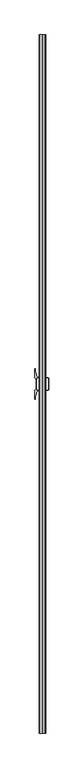
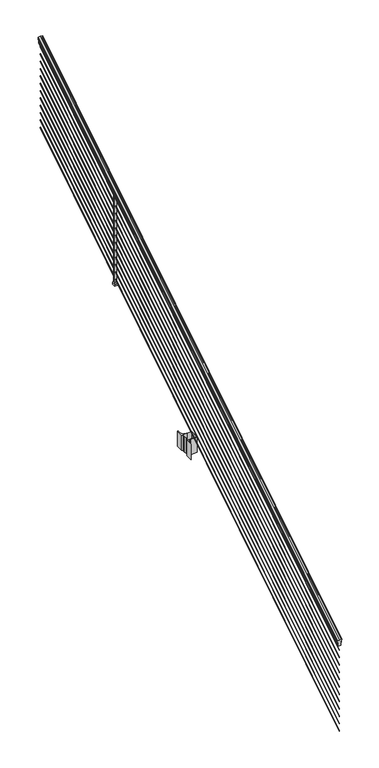
"""IFC4 building model written with IfcOpenShell, lengths in millimetres: railing geometry."""

from ifc_helpers import new_model, si_unit, point, frame, frame_2d, origin, place, context, project, spatial, polyline, circle_curve, ellipse_curve, trimmed, segment, composite_curve, outline, extrude, faceted_brep, source, transform, mapped, element, save
from ifc_brep_helpers import plane_surface, cylinder_surface, revolved_surface, advanced_brep


def railing_3b98b491(model_context):
    return source(origin(), model_context, "Body", "SolidModel", [
        advanced_brep(
        [(9720.6704765, -103155.6628453, 1133.2070492), (9720.6704765, -103155.6628453, 1135.4335658), (9721.8006628, -103155.6628453, 1137.2758543), (9721.8006628, -103155.6628453, 1145.7876358), (9721.1514064, -103155.6628453, 1148.6572588), (9723.6514064, -103155.6628453, 1153.7635509), (9725.0607489, -103155.6628453, 1155.7442021), (9725.4626479, -103155.6628453, 1157.0469579), (9725.4626478, -103155.6628453, 1158.6274846), (9723.9092005, -103155.6628453, 1160.4593836), (9703.2376478, -103155.6628453, 1160.4593836), (9682.566095, -103155.6628453, 1160.4593836), (9681.0126478, -103155.6628453, 1158.6274846), (9681.0126478, -103155.6628453, 1157.0469579), (9681.4145467, -103155.6628453, 1155.7442021), (9682.8238891, -103155.6628453, 1153.7635509), (9685.3238891, -103155.6628453, 1148.6572588), (9684.6746327, -103155.6628453, 1145.7876358), (9684.6746327, -103155.6628453, 1137.2758543), (9685.804819, -103155.6628453, 1135.4335658), (9685.804819, -103155.6628453, 1133.2070492), (9688.3786478, -103155.6628453, 1133.2070492), (9688.3786478, -103155.6628453, 1120.825537), (9687.3626478, -103155.6628453, 1119.6274214), (9687.3626478, -103155.6628453, 1104.9), (9719.1126478, -103155.6628453, 1104.9), (9719.1126478, -103155.6628453, 1119.441318), (9718.0966478, -103155.6628453, 1120.6394336), (9718.0966478, -103155.6628453, 1133.2070492), (9720.6704765, -98278.8628453, 4181.2070492), (9718.0966478, -98278.8628453, 4181.2070492), (9718.0966478, -98278.8628453, 4168.6394336), (9719.1126478, -98278.8628453, 4167.441318), (9719.1126478, -98278.8628453, 4152.9), (9687.3626478, -98278.8628453, 4152.9), (9687.3626478, -98278.8628453, 4167.6274214), (9688.3786478, -98278.8628453, 4168.825537), (9688.3786478, -98278.8628453, 4181.2070492), (9685.804819, -98278.8628453, 4181.2070492), (9685.804819, -98278.8628453, 4183.4335658), (9684.6746327, -98278.8628453, 4185.2758543), (9684.6746327, -98278.8628453, 4193.7876358), (9685.3238891, -98278.8628453, 4196.6572588), (9682.8238891, -98278.8628453, 4201.7635509), (9681.4145467, -98278.8628453, 4203.7442021), (9681.0126477, -98278.8628453, 4205.0469579), (9681.0126478, -98278.8628453, 4206.6274846), (9682.566095, -98278.8628453, 4208.4593836), (9703.2376478, -98278.8628453, 4208.4593836), (9723.9092005, -98278.8628453, 4208.4593836), (9725.4626478, -98278.8628453, 4206.6274846), (9725.4626478, -98278.8628453, 4205.0469579), (9725.0607489, -98278.8628453, 4203.7442021), (9723.6514064, -98278.8628453, 4201.7635509), (9721.1514064, -98278.8628453, 4196.6572588), (9721.8006628, -98278.8628453, 4193.7876358), (9721.8006628, -98278.8628453, 4185.2758543), (9720.6704765, -98278.8628453, 4183.4335658)],
        [
            (0, 1),
            (1, 2, ellipse_curve(frame((9714.3557232, -103155.6628453, 1142.2239405), z_axis=(0.0, -1.0, 0.0), x_axis=(0.0, 0.0, -1.0)), 10.0777926, 8.545951)),
            (2, 3, ellipse_curve(frame((9714.7927862, -103155.6628453, 1141.5317451), z_axis=(0.0, -1.0, 0.0), x_axis=(0.0, 0.0, -1.0)), 9.2955186, 7.882584)),
            (3, 4, ellipse_curve(frame((9725.3061103, -103155.6628453, 1148.4275077), z_axis=(0.0, 1.0, 0.0), x_axis=(0.0, 0.0, 1.0)), 4.9048088, 4.1592695)),
            (4, 5, ellipse_curve(frame((9726.5934169, -103155.6628453, 1148.3563208), z_axis=(0.0, 1.0, 0.0), x_axis=(0.0, 0.0, 1.0)), 6.4245301, 5.4479907)),
            (5, 6, ellipse_curve(frame((9725.3602584, -103155.6628453, 1153.7602333), z_axis=(0.0, 1.0, 0.0), x_axis=(0.0, 0.0, 1.0)), 2.0151625, 1.7088543)),
            (6, 7, ellipse_curve(frame((9723.7433583, -103155.6628453, 1157.0469579), z_axis=(0.0, -1.0, 0.0), x_axis=(0.0, 0.0, -1.0)), 2.0274681, 1.7192895)),
            (7, 8),
            (8, 9, ellipse_curve(frame((9723.9092005, -103155.6628453, 1158.6274846), z_axis=(0.0, -1.0, 0.0), x_axis=(0.0, 0.0, -1.0)), 1.831899, 1.5534472)),
            (9, 10),
            (10, 11),
            (11, 12, ellipse_curve(frame((9682.566095, -103155.6628453, 1158.6274846), z_axis=(0.0, -1.0, 0.0), x_axis=(0.0, 0.0, -1.0)), 1.831899, 1.5534472)),
            (12, 13),
            (13, 14, ellipse_curve(frame((9682.7319372, -103155.6628453, 1157.0469579), z_axis=(0.0, -1.0, 0.0), x_axis=(0.0, 0.0, -1.0)), 2.0274681, 1.7192895)),
            (14, 15, ellipse_curve(frame((9681.1150371, -103155.6628453, 1153.7602333), z_axis=(0.0, 1.0, 0.0), x_axis=(0.0, 0.0, 1.0)), 2.0151625, 1.7088543)),
            (15, 16, ellipse_curve(frame((9679.8818787, -103155.6628453, 1148.3563208), z_axis=(0.0, 1.0, 0.0), x_axis=(0.0, 0.0, 1.0)), 6.4245301, 5.4479907)),
            (16, 17, ellipse_curve(frame((9681.1691852, -103155.6628453, 1148.4275077), z_axis=(0.0, 1.0, 0.0), x_axis=(0.0, 0.0, 1.0)), 4.9048088, 4.1592695)),
            (17, 18, ellipse_curve(frame((9691.6825093, -103155.6628453, 1141.5317451), z_axis=(0.0, -1.0, 0.0), x_axis=(0.0, 0.0, -1.0)), 9.2955186, 7.882584)),
            (18, 19, ellipse_curve(frame((9692.1195723, -103155.6628453, 1142.2239405), z_axis=(0.0, -1.0, 0.0), x_axis=(0.0, 0.0, -1.0)), 10.0777926, 8.545951)),
            (19, 20),
            (20, 21, ellipse_curve(frame((9687.0917334, -103155.6628453, 1133.2070492), z_axis=(0.0, -1.0, 0.0), x_axis=(0.0, 0.0, -1.0)), 1.5175907, 1.2869144)),
            (21, 22),
            (22, 23),
            (23, 24),
            (24, 25),
            (25, 26),
            (26, 27),
            (27, 28),
            (28, 0, ellipse_curve(frame((9719.3835621, -103155.6628453, 1133.2070492), z_axis=(0.0, -1.0, 0.0), x_axis=(0.0, 0.0, -1.0)), 1.5175907, 1.2869144)),
            (29, 30, ellipse_curve(frame((9719.3835621, -98278.8628453, 4181.2070492), z_axis=(0.0, 1.0, 0.0), x_axis=(0.0, 0.0, -1.0)), 1.5175907, 1.2869144)),
            (30, 31),
            (31, 32),
            (32, 33),
            (33, 34),
            (34, 35),
            (35, 36),
            (36, 37),
            (37, 38, ellipse_curve(frame((9687.0917334, -98278.8628453, 4181.2070492), z_axis=(0.0, 1.0, 0.0), x_axis=(0.0, 0.0, -1.0)), 1.5175907, 1.2869144)),
            (38, 39),
            (39, 40, ellipse_curve(frame((9692.1195723, -98278.8628453, 4190.2239405), z_axis=(0.0, 1.0, 0.0), x_axis=(0.0, 0.0, -1.0)), 10.0777926, 8.545951)),
            (40, 41, ellipse_curve(frame((9691.6825093, -98278.8628453, 4189.5317451), z_axis=(0.0, 1.0, 0.0), x_axis=(0.0, 0.0, -1.0)), 9.2955186, 7.882584)),
            (41, 42, ellipse_curve(frame((9681.1691852, -98278.8628453, 4196.4275077), z_axis=(0.0, -1.0, 0.0), x_axis=(0.0, 0.0, 1.0)), 4.9048088, 4.1592695)),
            (42, 43, ellipse_curve(frame((9679.8818787, -98278.8628453, 4196.3563208), z_axis=(0.0, -1.0, 0.0), x_axis=(0.0, 0.0, 1.0)), 6.4245301, 5.4479907)),
            (43, 44, ellipse_curve(frame((9681.1150371, -98278.8628453, 4201.7602333), z_axis=(0.0, -1.0, 0.0), x_axis=(0.0, 0.0, 1.0)), 2.0151625, 1.7088543)),
            (44, 45, ellipse_curve(frame((9682.7319372, -98278.8628453, 4205.0469579), z_axis=(0.0, 1.0, 0.0), x_axis=(0.0, 0.0, -1.0)), 2.0274681, 1.7192895)),
            (45, 46),
            (46, 47, ellipse_curve(frame((9682.566095, -98278.8628453, 4206.6274846), z_axis=(0.0, 1.0, 0.0), x_axis=(0.0, 0.0, -1.0)), 1.831899, 1.5534472)),
            (47, 48),
            (48, 49),
            (49, 50, ellipse_curve(frame((9723.9092005, -98278.8628453, 4206.6274846), z_axis=(0.0, 1.0, 0.0), x_axis=(0.0, 0.0, -1.0)), 1.831899, 1.5534472)),
            (50, 51),
            (51, 52, ellipse_curve(frame((9723.7433583, -98278.8628453, 4205.0469579), z_axis=(0.0, 1.0, 0.0), x_axis=(0.0, 0.0, -1.0)), 2.0274681, 1.7192895)),
            (52, 53, ellipse_curve(frame((9725.3602584, -98278.8628453, 4201.7602333), z_axis=(0.0, -1.0, 0.0), x_axis=(0.0, 0.0, 1.0)), 2.0151625, 1.7088543)),
            (53, 54, ellipse_curve(frame((9726.5934169, -98278.8628453, 4196.3563208), z_axis=(0.0, -1.0, 0.0), x_axis=(0.0, 0.0, 1.0)), 6.4245301, 5.4479907)),
            (54, 55, ellipse_curve(frame((9725.3061103, -98278.8628453, 4196.4275077), z_axis=(0.0, -1.0, 0.0), x_axis=(0.0, 0.0, 1.0)), 4.9048088, 4.1592695)),
            (55, 56, ellipse_curve(frame((9714.7927862, -98278.8628453, 4189.5317451), z_axis=(0.0, 1.0, 0.0), x_axis=(0.0, 0.0, -1.0)), 9.2955186, 7.882584)),
            (56, 57, ellipse_curve(frame((9714.3557232, -98278.8628453, 4190.2239405), z_axis=(0.0, 1.0, 0.0), x_axis=(0.0, 0.0, -1.0)), 10.0777926, 8.545951)),
            (57, 29),
            (28, 30),
            (29, 0),
            (27, 31),
            (26, 32),
            (25, 33),
            (24, 34),
            (23, 35),
            (22, 36),
            (21, 37),
            (20, 38),
            (19, 39),
            (18, 40),
            (17, 41),
            (16, 42),
            (15, 43),
            (14, 44),
            (13, 45),
            (12, 46),
            (11, 47),
            (10, 48),
            (9, 49),
            (8, 50),
            (7, 51),
            (6, 52),
            (5, 53),
            (4, 54),
            (3, 55),
            (2, 56),
            (1, 57),
        ],
        [
            plane_surface(frame((9703.2376478, -103155.6628453, 1104.9), z_axis=(0.0, -1.0, 0.0), x_axis=(0.0, 0.0, 1.0))),
            plane_surface(frame((9703.2376478, -98278.8628453, 4152.9), z_axis=(0.0, 1.0, 0.0), x_axis=(0.0, 0.0, 1.0))),
            cylinder_surface(frame((9719.3835621, -103168.3851146, 1125.2556309), z_axis=(0.0, -0.8479983040051253, -0.5299989400031204), x_axis=(-1.0, 0.0, 0.0)), 1.2869144),
            plane_surface(frame((9718.0966478, -103155.6628453, 1120.6394336), z_axis=(1.0, 0.0, 0.0), x_axis=(0.0, 0.8479983040051252, 0.5299989400031204))),
            plane_surface(frame((9719.1126478, -103155.6628453, 1119.441318), z_axis=(0.7071067811865389, -0.374765844497894, 0.5996253511967226), x_axis=(0.0, 0.8479983040051253, 0.5299989400031204))),
            plane_surface(frame((9719.1126478, -103155.6628453, 1104.9), z_axis=(1.0, 0.0, 0.0), x_axis=(0.0, 0.8479983040051252, 0.5299989400031204))),
            plane_surface(frame((9687.3626478, -103155.6628453, 1104.9), z_axis=(0.0, 0.5299989400031204, -0.8479983040051252), x_axis=(0.0, 0.8479983040051252, 0.5299989400031204))),
            plane_surface(frame((9687.3626478, -103155.6628453, 1119.6274214), z_axis=(-1.0, 0.0, 0.0), x_axis=(0.0, 0.8479983040051252, 0.5299989400031204))),
            plane_surface(frame((9688.3786478, -103155.6628453, 1120.825537), z_axis=(-0.7071067811865437, -0.37476584449788986, 0.5996253511967191), x_axis=(0.0, 0.8479983040051252, 0.5299989400031204))),
            plane_surface(frame((9688.3786478, -103155.6628453, 1133.2070492), z_axis=(-1.0000000000000002, 0.0, 0.0), x_axis=(0.0, 0.8479983040051253, 0.5299989400031204))),
            cylinder_surface(frame((9687.0917334, -103168.3851146, 1125.2556309), z_axis=(0.0, -0.8479983040051253, -0.5299989400031204), x_axis=(1.0, 0.0, 0.0)), 1.2869144),
            plane_surface(frame((9685.804819, -103155.6628453, 1135.4335658), z_axis=(-1.0, 0.0, 0.0), x_axis=(0.0, 0.8479983040051252, 0.5299989400031204))),
            cylinder_surface(frame((9692.1195723, -103172.43765, 1131.7396876), z_axis=(0.0, -0.8479983040051253, -0.5299989400031204), x_axis=(1.0, 0.0, 0.0)), 8.545951),
            cylinder_surface(frame((9691.6825093, -103172.1265509, 1131.241929), z_axis=(0.0, -0.8479983040051253, -0.5299989400031204), x_axis=(1.0, 0.0, 0.0)), 7.882584),
            revolved_surface(polyline([(9685.3284547, -98276.65843685035, 4197.805262980558), (9685.3284547, -103157.86725374944, 1147.0497524191019)]), (9681.1691852, -103175.2257701, 1136.2006797), (0.0, 0.8479983040051253, 0.5299989400031204)),
            revolved_surface(polyline([(9685.3298694, -98275.97541603574, 4198.160964077185), (9685.3298694, -103158.5502745528, 1146.551677504493)]), (9679.8818787, -103175.193776, 1136.1494891), (0.0, 0.8479983040051253, 0.5299989400031204)),
            revolved_surface(polyline([(9682.823891400001, -98277.95715429979, 4202.326290199658), (9682.823891400001, -103156.56853632248, 1153.1941764359544)]), (9681.1150371, -103177.6225007, 1140.0354487), (0.0, 0.8479983040051253, 0.5299989400031204)),
            cylinder_surface(frame((9682.7319372, -103179.0996803, 1142.398936), z_axis=(0.0, -0.8479983040051253, -0.5299989400031204), x_axis=(1.0, 0.0, 0.0)), 1.7192895),
            plane_surface(frame((9681.0126478, -103155.6628453, 1158.6274846), z_axis=(-1.0000000000000002, 0.0, 0.0), x_axis=(0.0, 0.8479983040051253, 0.5299989400031204))),
            cylinder_surface(frame((9682.566095, -103179.8100294, 1143.5354945), z_axis=(0.0, -0.8479983040051253, -0.5299989400031204), x_axis=(1.0, 0.0, 0.0)), 1.5534472),
            plane_surface(frame((9703.2376478, -103155.6628453, 1160.4593836), z_axis=(0.0, -0.5299989400031204, 0.8479983040051252), x_axis=(0.0, 0.8479983040051252, 0.5299989400031204))),
            plane_surface(frame((9723.9092005, -103155.6628453, 1160.4593836), z_axis=(0.0, -0.5299989400031204, 0.8479983040051252), x_axis=(0.0, 0.8479983040051252, 0.5299989400031204))),
            cylinder_surface(frame((9723.9092005, -103179.8100294, 1143.5354945), z_axis=(0.0, -0.8479983040051253, -0.5299989400031204), x_axis=(-1.0, 0.0, 0.0)), 1.5534472),
            plane_surface(frame((9725.4626478, -103155.6628453, 1157.0469579), z_axis=(1.0, 0.0, 0.0), x_axis=(0.0, 0.8479983040051252, 0.5299989400031204))),
            cylinder_surface(frame((9723.7433583, -103179.0996803, 1142.398936), z_axis=(0.0, -0.8479983040051253, -0.5299989400031204), x_axis=(-1.0, 0.0, 0.0)), 1.7192895),
            revolved_surface(polyline([(9723.6514041, -98277.95715429979, 4202.326290199658), (9723.6514041, -103156.56853632248, 1153.1941764359544)]), (9725.3602584, -103177.6225007, 1140.0354487), (0.0, 0.8479983040051253, 0.5299989400031204)),
            revolved_surface(polyline([(9721.145426199999, -98275.97541603574, 4198.160964077185), (9721.145426199999, -103158.5502745528, 1146.551677504493)]), (9726.5934169, -103175.193776, 1136.1494891), (0.0, 0.8479983040051253, 0.5299989400031204)),
            revolved_surface(polyline([(9721.1468408, -98276.65843685035, 4197.805262980558), (9721.1468408, -103157.86725374944, 1147.0497524191019)]), (9725.3061103, -103175.2257701, 1136.2006797), (0.0, 0.8479983040051253, 0.5299989400031204)),
            cylinder_surface(frame((9714.7927862, -103172.1265509, 1131.241929), z_axis=(0.0, -0.8479983040051253, -0.5299989400031204), x_axis=(-1.0, 0.0, 0.0)), 7.882584),
            cylinder_surface(frame((9714.3557232, -103172.43765, 1131.7396876), z_axis=(0.0, -0.8479983040051253, -0.5299989400031204), x_axis=(-1.0, 0.0, 0.0)), 8.545951),
            plane_surface(frame((9720.6704765, -103155.6628453, 1133.2070492), z_axis=(1.0000000000000002, 0.0, 0.0), x_axis=(0.0, 0.8479983040051253, 0.5299989400031204))),
        ],
        [
            (0, [[1, 2, 3, 4, 5, 6, 7, 8, 9, 10, 11, 12, 13, 14, 15, 16, 17, 18, 19, 20, 21, 22, 23, 24, 25, 26, 27, 28, 29]]),
            (1, [[30, 31, 32, 33, 34, 35, 36, 37, 38, 39, 40, 41, 42, 43, 44, 45, 46, 47, 48, 49, 50, 51, 52, 53, 54, 55, 56, 57, 58]]),
            (2, [[-29, 59, -30, 60]]),
            (3, [[-28, 61, -31, -59]]),
            (4, [[-27, 62, -32, -61]]),
            (5, [[-26, 63, -33, -62]]),
            (6, [[-25, 64, -34, -63]]),
            (7, [[-24, 65, -35, -64]]),
            (8, [[-23, 66, -36, -65]]),
            (9, [[-22, 67, -37, -66]]),
            (10, [[-21, 68, -38, -67]]),
            (11, [[-20, 69, -39, -68]]),
            (12, [[-19, 70, -40, -69]]),
            (13, [[-18, 71, -41, -70]]),
            (14, [[-17, 72, -42, -71]]),
            (15, [[-16, 73, -43, -72]]),
            (16, [[-15, 74, -44, -73]]),
            (17, [[-14, 75, -45, -74]]),
            (18, [[-13, 76, -46, -75]]),
            (19, [[-12, 77, -47, -76]]),
            (20, [[-11, 78, -48, -77]]),
            (21, [[-10, 79, -49, -78]]),
            (22, [[-9, 80, -50, -79]]),
            (23, [[-8, 81, -51, -80]]),
            (24, [[-7, 82, -52, -81]]),
            (25, [[-6, 83, -53, -82]]),
            (26, [[-5, 84, -54, -83]]),
            (27, [[-4, 85, -55, -84]]),
            (28, [[-3, 86, -56, -85]]),
            (29, [[-2, 87, -57, -86]]),
            (30, [[-1, -60, -58, -87]]),
        ],
    ),
        advanced_brep(
        [(9701.6501478, -103155.6628453, 255.524), (9703.2376478, -103155.6628453, 253.6519444), (9704.8251478, -103155.6628453, 255.524), (9703.2376478, -103155.6628453, 257.3960556), (9701.6501478, -98278.8628453, 3303.524), (9703.2376478, -98278.8628453, 3305.3960556), (9704.8251478, -98278.8628453, 3303.524), (9703.2376478, -98278.8628453, 3301.6519444)],
        [
            (0, 1, ellipse_curve(frame((9703.2376478, -103155.6628453, 255.524), z_axis=(0.0, -1.0, 0.0), x_axis=(0.0, 0.0, -1.0)), 1.8720556, 1.5875)),
            (1, 2, ellipse_curve(frame((9703.2376478, -103155.6628453, 255.524), z_axis=(0.0, -1.0, 0.0), x_axis=(0.0, 0.0, -1.0)), 1.8720556, 1.5875)),
            (2, 3, ellipse_curve(frame((9703.2376478, -103155.6628453, 255.524), z_axis=(0.0, -1.0, 0.0), x_axis=(0.0, 0.0, -1.0)), 1.8720556, 1.5875)),
            (3, 0, ellipse_curve(frame((9703.2376478, -103155.6628453, 255.524), z_axis=(0.0, -1.0, 0.0), x_axis=(0.0, 0.0, -1.0)), 1.8720556, 1.5875)),
            (4, 5, ellipse_curve(frame((9703.2376478, -98278.8628453, 3303.524), z_axis=(0.0, 1.0, 0.0), x_axis=(0.0, 0.0, -1.0)), 1.8720556, 1.5875)),
            (5, 6, ellipse_curve(frame((9703.2376478, -98278.8628453, 3303.524), z_axis=(0.0, 1.0, 0.0), x_axis=(0.0, 0.0, -1.0)), 1.8720556, 1.5875)),
            (6, 7, ellipse_curve(frame((9703.2376478, -98278.8628453, 3303.524), z_axis=(0.0, 1.0, 0.0), x_axis=(0.0, 0.0, -1.0)), 1.8720556, 1.5875)),
            (7, 4, ellipse_curve(frame((9703.2376478, -98278.8628453, 3303.524), z_axis=(0.0, 1.0, 0.0), x_axis=(0.0, 0.0, -1.0)), 1.8720556, 1.5875)),
            (3, 5),
            (4, 0),
            (2, 6),
            (1, 7),
        ],
        [
            plane_surface(frame((9703.2376478, -103155.6628453, 255.524), z_axis=(0.0, -1.0, 0.0), x_axis=(0.0, 0.0, 1.0))),
            plane_surface(frame((9703.2376478, -98278.8628453, 3303.524), z_axis=(0.0, 1.0, 0.0), x_axis=(0.0, 0.0, 1.0))),
            cylinder_surface(frame((9703.2376478, -103155.6628453, 255.524), z_axis=(0.0, -0.8479983040051253, -0.5299989400031204), x_axis=(-1.0, 0.0, 0.0)), 1.5875),
        ],
        [
            (0, [[1, 2, 3, 4]]),
            (1, [[5, 6, 7, 8]]),
            (2, [[-4, 9, -5, 10]]),
            (2, [[-3, 11, -6, -9]]),
            (2, [[-2, 12, -7, -11]]),
            (2, [[-1, -10, -8, -12]]),
        ],
    ),
        advanced_brep(
        [(9701.6501478, -103155.6628453, 328.676), (9703.2376478, -103155.6628453, 326.8039444), (9704.8251478, -103155.6628453, 328.676), (9703.2376478, -103155.6628453, 330.5480556), (9701.6501478, -98278.8628453, 3376.676), (9703.2376478, -98278.8628453, 3378.5480556), (9704.8251478, -98278.8628453, 3376.676), (9703.2376478, -98278.8628453, 3374.8039444)],
        [
            (0, 1, ellipse_curve(frame((9703.2376478, -103155.6628453, 328.676), z_axis=(0.0, -1.0, 0.0), x_axis=(0.0, 0.0, -1.0)), 1.8720556, 1.5875)),
            (1, 2, ellipse_curve(frame((9703.2376478, -103155.6628453, 328.676), z_axis=(0.0, -1.0, 0.0), x_axis=(0.0, 0.0, -1.0)), 1.8720556, 1.5875)),
            (2, 3, ellipse_curve(frame((9703.2376478, -103155.6628453, 328.676), z_axis=(0.0, -1.0, 0.0), x_axis=(0.0, 0.0, -1.0)), 1.8720556, 1.5875)),
            (3, 0, ellipse_curve(frame((9703.2376478, -103155.6628453, 328.676), z_axis=(0.0, -1.0, 0.0), x_axis=(0.0, 0.0, -1.0)), 1.8720556, 1.5875)),
            (4, 5, ellipse_curve(frame((9703.2376478, -98278.8628453, 3376.676), z_axis=(0.0, 1.0, 0.0), x_axis=(0.0, 0.0, -1.0)), 1.8720556, 1.5875)),
            (5, 6, ellipse_curve(frame((9703.2376478, -98278.8628453, 3376.676), z_axis=(0.0, 1.0, 0.0), x_axis=(0.0, 0.0, -1.0)), 1.8720556, 1.5875)),
            (6, 7, ellipse_curve(frame((9703.2376478, -98278.8628453, 3376.676), z_axis=(0.0, 1.0, 0.0), x_axis=(0.0, 0.0, -1.0)), 1.8720556, 1.5875)),
            (7, 4, ellipse_curve(frame((9703.2376478, -98278.8628453, 3376.676), z_axis=(0.0, 1.0, 0.0), x_axis=(0.0, 0.0, -1.0)), 1.8720556, 1.5875)),
            (0, 4),
            (7, 1),
            (6, 2),
            (5, 3),
        ],
        [
            plane_surface(frame((9703.2376478, -103155.6628453, 328.676), z_axis=(0.0, -1.0, 0.0), x_axis=(0.0, 0.0, 1.0))),
            plane_surface(frame((9703.2376478, -98278.8628453, 3376.676), z_axis=(0.0, 1.0, 0.0), x_axis=(0.0, 0.0, 1.0))),
            cylinder_surface(frame((9703.2376478, -103155.6628453, 328.676), z_axis=(0.0, -0.8479983040051253, -0.5299989400031204), x_axis=(-1.0, 0.0, 0.0)), 1.5875),
        ],
        [
            (0, [[1, 2, 3, 4]]),
            (1, [[5, 6, 7, 8]]),
            (2, [[-1, 9, -8, 10]]),
            (2, [[-2, -10, -7, 11]]),
            (2, [[-3, -11, -6, 12]]),
            (2, [[-4, -12, -5, -9]]),
        ],
    ),
        advanced_brep(
        [(9701.6501478, -103155.6628453, 401.574), (9703.2376478, -103155.6628453, 399.7019444), (9704.8251478, -103155.6628453, 401.574), (9703.2376478, -103155.6628453, 403.4460556), (9701.6501478, -98278.8628453, 3449.574), (9703.2376478, -98278.8628453, 3451.4460556), (9704.8251478, -98278.8628453, 3449.574), (9703.2376478, -98278.8628453, 3447.7019444)],
        [
            (0, 1, ellipse_curve(frame((9703.2376478, -103155.6628453, 401.574), z_axis=(0.0, -1.0, 0.0), x_axis=(0.0, 0.0, -1.0)), 1.8720556, 1.5875)),
            (1, 2, ellipse_curve(frame((9703.2376478, -103155.6628453, 401.574), z_axis=(0.0, -1.0, 0.0), x_axis=(0.0, 0.0, -1.0)), 1.8720556, 1.5875)),
            (2, 3, ellipse_curve(frame((9703.2376478, -103155.6628453, 401.574), z_axis=(0.0, -1.0, 0.0), x_axis=(0.0, 0.0, -1.0)), 1.8720556, 1.5875)),
            (3, 0, ellipse_curve(frame((9703.2376478, -103155.6628453, 401.574), z_axis=(0.0, -1.0, 0.0), x_axis=(0.0, 0.0, -1.0)), 1.8720556, 1.5875)),
            (4, 5, ellipse_curve(frame((9703.2376478, -98278.8628453, 3449.574), z_axis=(0.0, 1.0, 0.0), x_axis=(0.0, 0.0, -1.0)), 1.8720556, 1.5875)),
            (5, 6, ellipse_curve(frame((9703.2376478, -98278.8628453, 3449.574), z_axis=(0.0, 1.0, 0.0), x_axis=(0.0, 0.0, -1.0)), 1.8720556, 1.5875)),
            (6, 7, ellipse_curve(frame((9703.2376478, -98278.8628453, 3449.574), z_axis=(0.0, 1.0, 0.0), x_axis=(0.0, 0.0, -1.0)), 1.8720556, 1.5875)),
            (7, 4, ellipse_curve(frame((9703.2376478, -98278.8628453, 3449.574), z_axis=(0.0, 1.0, 0.0), x_axis=(0.0, 0.0, -1.0)), 1.8720556, 1.5875)),
            (0, 4),
            (7, 1),
            (6, 2),
            (5, 3),
        ],
        [
            plane_surface(frame((9703.2376478, -103155.6628453, 401.574), z_axis=(0.0, -1.0, 0.0), x_axis=(0.0, 0.0, 1.0))),
            plane_surface(frame((9703.2376478, -98278.8628453, 3449.574), z_axis=(0.0, 1.0, 0.0), x_axis=(0.0, 0.0, 1.0))),
            cylinder_surface(frame((9703.2376478, -103155.6628453, 401.574), z_axis=(0.0, -0.8479983040051253, -0.5299989400031204), x_axis=(-1.0, 0.0, 0.0)), 1.5875),
        ],
        [
            (0, [[1, 2, 3, 4]]),
            (1, [[5, 6, 7, 8]]),
            (2, [[-1, 9, -8, 10]]),
            (2, [[-2, -10, -7, 11]]),
            (2, [[-3, -11, -6, 12]]),
            (2, [[-4, -12, -5, -9]]),
        ],
    ),
        advanced_brep(
        [(9701.6501478, -103155.6628453, 474.726), (9703.2376478, -103155.6628453, 472.8539444), (9704.8251478, -103155.6628453, 474.726), (9703.2376478, -103155.6628453, 476.5980556), (9701.6501478, -98278.8628453, 3522.726), (9703.2376478, -98278.8628453, 3524.5980556), (9704.8251478, -98278.8628453, 3522.726), (9703.2376478, -98278.8628453, 3520.8539444)],
        [
            (0, 1, ellipse_curve(frame((9703.2376478, -103155.6628453, 474.726), z_axis=(0.0, -1.0, 0.0), x_axis=(0.0, 0.0, -1.0)), 1.8720556, 1.5875)),
            (1, 2, ellipse_curve(frame((9703.2376478, -103155.6628453, 474.726), z_axis=(0.0, -1.0, 0.0), x_axis=(0.0, 0.0, -1.0)), 1.8720556, 1.5875)),
            (2, 3, ellipse_curve(frame((9703.2376478, -103155.6628453, 474.726), z_axis=(0.0, -1.0, 0.0), x_axis=(0.0, 0.0, -1.0)), 1.8720556, 1.5875)),
            (3, 0, ellipse_curve(frame((9703.2376478, -103155.6628453, 474.726), z_axis=(0.0, -1.0, 0.0), x_axis=(0.0, 0.0, -1.0)), 1.8720556, 1.5875)),
            (4, 5, ellipse_curve(frame((9703.2376478, -98278.8628453, 3522.726), z_axis=(0.0, 1.0, 0.0), x_axis=(0.0, 0.0, -1.0)), 1.8720556, 1.5875)),
            (5, 6, ellipse_curve(frame((9703.2376478, -98278.8628453, 3522.726), z_axis=(0.0, 1.0, 0.0), x_axis=(0.0, 0.0, -1.0)), 1.8720556, 1.5875)),
            (6, 7, ellipse_curve(frame((9703.2376478, -98278.8628453, 3522.726), z_axis=(0.0, 1.0, 0.0), x_axis=(0.0, 0.0, -1.0)), 1.8720556, 1.5875)),
            (7, 4, ellipse_curve(frame((9703.2376478, -98278.8628453, 3522.726), z_axis=(0.0, 1.0, 0.0), x_axis=(0.0, 0.0, -1.0)), 1.8720556, 1.5875)),
            (0, 4),
            (7, 1),
            (6, 2),
            (5, 3),
        ],
        [
            plane_surface(frame((9703.2376478, -103155.6628453, 474.726), z_axis=(0.0, -1.0, 0.0), x_axis=(0.0, 0.0, 1.0))),
            plane_surface(frame((9703.2376478, -98278.8628453, 3522.726), z_axis=(0.0, 1.0, 0.0), x_axis=(0.0, 0.0, 1.0))),
            cylinder_surface(frame((9703.2376478, -103155.6628453, 474.726), z_axis=(0.0, -0.8479983040051253, -0.5299989400031204), x_axis=(-1.0, 0.0, 0.0)), 1.5875),
        ],
        [
            (0, [[1, 2, 3, 4]]),
            (1, [[5, 6, 7, 8]]),
            (2, [[-1, 9, -8, 10]]),
            (2, [[-2, -10, -7, 11]]),
            (2, [[-3, -11, -6, 12]]),
            (2, [[-4, -12, -5, -9]]),
        ],
    ),
        advanced_brep(
        [(9701.6501478, -103155.6628453, 547.624), (9703.2376478, -103155.6628453, 545.7519444), (9704.8251478, -103155.6628453, 547.624), (9703.2376478, -103155.6628453, 549.4960556), (9701.6501478, -98278.8628453, 3595.624), (9703.2376478, -98278.8628453, 3597.4960556), (9704.8251478, -98278.8628453, 3595.624), (9703.2376478, -98278.8628453, 3593.7519444)],
        [
            (0, 1, ellipse_curve(frame((9703.2376478, -103155.6628453, 547.624), z_axis=(0.0, -1.0, 0.0), x_axis=(0.0, 0.0, -1.0)), 1.8720556, 1.5875)),
            (1, 2, ellipse_curve(frame((9703.2376478, -103155.6628453, 547.624), z_axis=(0.0, -1.0, 0.0), x_axis=(0.0, 0.0, -1.0)), 1.8720556, 1.5875)),
            (2, 3, ellipse_curve(frame((9703.2376478, -103155.6628453, 547.624), z_axis=(0.0, -1.0, 0.0), x_axis=(0.0, 0.0, -1.0)), 1.8720556, 1.5875)),
            (3, 0, ellipse_curve(frame((9703.2376478, -103155.6628453, 547.624), z_axis=(0.0, -1.0, 0.0), x_axis=(0.0, 0.0, -1.0)), 1.8720556, 1.5875)),
            (4, 5, ellipse_curve(frame((9703.2376478, -98278.8628453, 3595.624), z_axis=(0.0, 1.0, 0.0), x_axis=(0.0, 0.0, -1.0)), 1.8720556, 1.5875)),
            (5, 6, ellipse_curve(frame((9703.2376478, -98278.8628453, 3595.624), z_axis=(0.0, 1.0, 0.0), x_axis=(0.0, 0.0, -1.0)), 1.8720556, 1.5875)),
            (6, 7, ellipse_curve(frame((9703.2376478, -98278.8628453, 3595.624), z_axis=(0.0, 1.0, 0.0), x_axis=(0.0, 0.0, -1.0)), 1.8720556, 1.5875)),
            (7, 4, ellipse_curve(frame((9703.2376478, -98278.8628453, 3595.624), z_axis=(0.0, 1.0, 0.0), x_axis=(0.0, 0.0, -1.0)), 1.8720556, 1.5875)),
            (0, 4),
            (7, 1),
            (6, 2),
            (5, 3),
        ],
        [
            plane_surface(frame((9703.2376478, -103155.6628453, 547.624), z_axis=(0.0, -1.0, 0.0), x_axis=(0.0, 0.0, 1.0))),
            plane_surface(frame((9703.2376478, -98278.8628453, 3595.624), z_axis=(0.0, 1.0, 0.0), x_axis=(0.0, 0.0, 1.0))),
            cylinder_surface(frame((9703.2376478, -103155.6628453, 547.624), z_axis=(0.0, -0.8479983040051253, -0.5299989400031204), x_axis=(-1.0, 0.0, 0.0)), 1.5875),
        ],
        [
            (0, [[1, 2, 3, 4]]),
            (1, [[5, 6, 7, 8]]),
            (2, [[-1, 9, -8, 10]]),
            (2, [[-2, -10, -7, 11]]),
            (2, [[-3, -11, -6, 12]]),
            (2, [[-4, -12, -5, -9]]),
        ],
    ),
        advanced_brep(
        [(9701.6501478, -103155.6628453, 620.776), (9703.2376478, -103155.6628453, 618.9039444), (9704.8251478, -103155.6628453, 620.776), (9703.2376478, -103155.6628453, 622.6480556), (9701.6501478, -98278.8628453, 3668.776), (9703.2376478, -98278.8628453, 3670.6480556), (9704.8251478, -98278.8628453, 3668.776), (9703.2376478, -98278.8628453, 3666.9039444)],
        [
            (0, 1, ellipse_curve(frame((9703.2376478, -103155.6628453, 620.776), z_axis=(0.0, -1.0, 0.0), x_axis=(0.0, 0.0, -1.0)), 1.8720556, 1.5875)),
            (1, 2, ellipse_curve(frame((9703.2376478, -103155.6628453, 620.776), z_axis=(0.0, -1.0, 0.0), x_axis=(0.0, 0.0, -1.0)), 1.8720556, 1.5875)),
            (2, 3, ellipse_curve(frame((9703.2376478, -103155.6628453, 620.776), z_axis=(0.0, -1.0, 0.0), x_axis=(0.0, 0.0, -1.0)), 1.8720556, 1.5875)),
            (3, 0, ellipse_curve(frame((9703.2376478, -103155.6628453, 620.776), z_axis=(0.0, -1.0, 0.0), x_axis=(0.0, 0.0, -1.0)), 1.8720556, 1.5875)),
            (4, 5, ellipse_curve(frame((9703.2376478, -98278.8628453, 3668.776), z_axis=(0.0, 1.0, 0.0), x_axis=(0.0, 0.0, -1.0)), 1.8720556, 1.5875)),
            (5, 6, ellipse_curve(frame((9703.2376478, -98278.8628453, 3668.776), z_axis=(0.0, 1.0, 0.0), x_axis=(0.0, 0.0, -1.0)), 1.8720556, 1.5875)),
            (6, 7, ellipse_curve(frame((9703.2376478, -98278.8628453, 3668.776), z_axis=(0.0, 1.0, 0.0), x_axis=(0.0, 0.0, -1.0)), 1.8720556, 1.5875)),
            (7, 4, ellipse_curve(frame((9703.2376478, -98278.8628453, 3668.776), z_axis=(0.0, 1.0, 0.0), x_axis=(0.0, 0.0, -1.0)), 1.8720556, 1.5875)),
            (0, 4),
            (7, 1),
            (6, 2),
            (5, 3),
        ],
        [
            plane_surface(frame((9703.2376478, -103155.6628453, 620.776), z_axis=(0.0, -1.0, 0.0), x_axis=(0.0, 0.0, 1.0))),
            plane_surface(frame((9703.2376478, -98278.8628453, 3668.776), z_axis=(0.0, 1.0, 0.0), x_axis=(0.0, 0.0, 1.0))),
            cylinder_surface(frame((9703.2376478, -103155.6628453, 620.776), z_axis=(0.0, -0.8479983040051253, -0.5299989400031204), x_axis=(-1.0, 0.0, 0.0)), 1.5875),
        ],
        [
            (0, [[1, 2, 3, 4]]),
            (1, [[5, 6, 7, 8]]),
            (2, [[-1, 9, -8, 10]]),
            (2, [[-2, -10, -7, 11]]),
            (2, [[-3, -11, -6, 12]]),
            (2, [[-4, -12, -5, -9]]),
        ],
    ),
        advanced_brep(
        [(9701.6501478, -103155.6628453, 693.674), (9703.2376478, -103155.6628453, 691.8019444), (9704.8251478, -103155.6628453, 693.674), (9703.2376478, -103155.6628453, 695.5460556), (9701.6501478, -98278.8628453, 3741.674), (9703.2376478, -98278.8628453, 3743.5460556), (9704.8251478, -98278.8628453, 3741.674), (9703.2376478, -98278.8628453, 3739.8019444)],
        [
            (0, 1, ellipse_curve(frame((9703.2376478, -103155.6628453, 693.674), z_axis=(0.0, -1.0, 0.0), x_axis=(0.0, 0.0, -1.0)), 1.8720556, 1.5875)),
            (1, 2, ellipse_curve(frame((9703.2376478, -103155.6628453, 693.674), z_axis=(0.0, -1.0, 0.0), x_axis=(0.0, 0.0, -1.0)), 1.8720556, 1.5875)),
            (2, 3, ellipse_curve(frame((9703.2376478, -103155.6628453, 693.674), z_axis=(0.0, -1.0, 0.0), x_axis=(0.0, 0.0, -1.0)), 1.8720556, 1.5875)),
            (3, 0, ellipse_curve(frame((9703.2376478, -103155.6628453, 693.674), z_axis=(0.0, -1.0, 0.0), x_axis=(0.0, 0.0, -1.0)), 1.8720556, 1.5875)),
            (4, 5, ellipse_curve(frame((9703.2376478, -98278.8628453, 3741.674), z_axis=(0.0, 1.0, 0.0), x_axis=(0.0, 0.0, -1.0)), 1.8720556, 1.5875)),
            (5, 6, ellipse_curve(frame((9703.2376478, -98278.8628453, 3741.674), z_axis=(0.0, 1.0, 0.0), x_axis=(0.0, 0.0, -1.0)), 1.8720556, 1.5875)),
            (6, 7, ellipse_curve(frame((9703.2376478, -98278.8628453, 3741.674), z_axis=(0.0, 1.0, 0.0), x_axis=(0.0, 0.0, -1.0)), 1.8720556, 1.5875)),
            (7, 4, ellipse_curve(frame((9703.2376478, -98278.8628453, 3741.674), z_axis=(0.0, 1.0, 0.0), x_axis=(0.0, 0.0, -1.0)), 1.8720556, 1.5875)),
            (0, 4),
            (7, 1),
            (6, 2),
            (5, 3),
        ],
        [
            plane_surface(frame((9703.2376478, -103155.6628453, 693.674), z_axis=(0.0, -1.0, 0.0), x_axis=(0.0, 0.0, 1.0))),
            plane_surface(frame((9703.2376478, -98278.8628453, 3741.674), z_axis=(0.0, 1.0, 0.0), x_axis=(0.0, 0.0, 1.0))),
            cylinder_surface(frame((9703.2376478, -103155.6628453, 693.674), z_axis=(0.0, -0.8479983040051253, -0.5299989400031204), x_axis=(-1.0, 0.0, 0.0)), 1.5875),
        ],
        [
            (0, [[1, 2, 3, 4]]),
            (1, [[5, 6, 7, 8]]),
            (2, [[-1, 9, -8, 10]]),
            (2, [[-2, -10, -7, 11]]),
            (2, [[-3, -11, -6, 12]]),
            (2, [[-4, -12, -5, -9]]),
        ],
    ),
        advanced_brep(
        [(9701.6501478, -103155.6628453, 766.826), (9703.2376478, -103155.6628453, 764.9539444), (9704.8251478, -103155.6628453, 766.826), (9703.2376478, -103155.6628453, 768.6980556), (9701.6501478, -98278.8628453, 3814.826), (9703.2376478, -98278.8628453, 3816.6980556), (9704.8251478, -98278.8628453, 3814.826), (9703.2376478, -98278.8628453, 3812.9539444)],
        [
            (0, 1, ellipse_curve(frame((9703.2376478, -103155.6628453, 766.826), z_axis=(0.0, -1.0, 0.0), x_axis=(0.0, 0.0, -1.0)), 1.8720556, 1.5875)),
            (1, 2, ellipse_curve(frame((9703.2376478, -103155.6628453, 766.826), z_axis=(0.0, -1.0, 0.0), x_axis=(0.0, 0.0, -1.0)), 1.8720556, 1.5875)),
            (2, 3, ellipse_curve(frame((9703.2376478, -103155.6628453, 766.826), z_axis=(0.0, -1.0, 0.0), x_axis=(0.0, 0.0, -1.0)), 1.8720556, 1.5875)),
            (3, 0, ellipse_curve(frame((9703.2376478, -103155.6628453, 766.826), z_axis=(0.0, -1.0, 0.0), x_axis=(0.0, 0.0, -1.0)), 1.8720556, 1.5875)),
            (4, 5, ellipse_curve(frame((9703.2376478, -98278.8628453, 3814.826), z_axis=(0.0, 1.0, 0.0), x_axis=(0.0, 0.0, -1.0)), 1.8720556, 1.5875)),
            (5, 6, ellipse_curve(frame((9703.2376478, -98278.8628453, 3814.826), z_axis=(0.0, 1.0, 0.0), x_axis=(0.0, 0.0, -1.0)), 1.8720556, 1.5875)),
            (6, 7, ellipse_curve(frame((9703.2376478, -98278.8628453, 3814.826), z_axis=(0.0, 1.0, 0.0), x_axis=(0.0, 0.0, -1.0)), 1.8720556, 1.5875)),
            (7, 4, ellipse_curve(frame((9703.2376478, -98278.8628453, 3814.826), z_axis=(0.0, 1.0, 0.0), x_axis=(0.0, 0.0, -1.0)), 1.8720556, 1.5875)),
            (0, 4),
            (7, 1),
            (6, 2),
            (5, 3),
        ],
        [
            plane_surface(frame((9703.2376478, -103155.6628453, 766.826), z_axis=(0.0, -1.0, 0.0), x_axis=(0.0, 0.0, 1.0))),
            plane_surface(frame((9703.2376478, -98278.8628453, 3814.826), z_axis=(0.0, 1.0, 0.0), x_axis=(0.0, 0.0, 1.0))),
            cylinder_surface(frame((9703.2376478, -103155.6628453, 766.826), z_axis=(0.0, -0.8479983040051253, -0.5299989400031204), x_axis=(-1.0, 0.0, 0.0)), 1.5875),
        ],
        [
            (0, [[1, 2, 3, 4]]),
            (1, [[5, 6, 7, 8]]),
            (2, [[-1, 9, -8, 10]]),
            (2, [[-2, -10, -7, 11]]),
            (2, [[-3, -11, -6, 12]]),
            (2, [[-4, -12, -5, -9]]),
        ],
    ),
        advanced_brep(
        [(9701.6501478, -103155.6628453, 839.724), (9703.2376478, -103155.6628453, 837.8519444), (9704.8251478, -103155.6628453, 839.724), (9703.2376478, -103155.6628453, 841.5960556), (9701.6501478, -98278.8628453, 3887.724), (9703.2376478, -98278.8628453, 3889.5960556), (9704.8251478, -98278.8628453, 3887.724), (9703.2376478, -98278.8628453, 3885.8519444)],
        [
            (0, 1, ellipse_curve(frame((9703.2376478, -103155.6628453, 839.724), z_axis=(0.0, -1.0, 0.0), x_axis=(0.0, 0.0, -1.0)), 1.8720556, 1.5875)),
            (1, 2, ellipse_curve(frame((9703.2376478, -103155.6628453, 839.724), z_axis=(0.0, -1.0, 0.0), x_axis=(0.0, 0.0, -1.0)), 1.8720556, 1.5875)),
            (2, 3, ellipse_curve(frame((9703.2376478, -103155.6628453, 839.724), z_axis=(0.0, -1.0, 0.0), x_axis=(0.0, 0.0, -1.0)), 1.8720556, 1.5875)),
            (3, 0, ellipse_curve(frame((9703.2376478, -103155.6628453, 839.724), z_axis=(0.0, -1.0, 0.0), x_axis=(0.0, 0.0, -1.0)), 1.8720556, 1.5875)),
            (4, 5, ellipse_curve(frame((9703.2376478, -98278.8628453, 3887.724), z_axis=(0.0, 1.0, 0.0), x_axis=(0.0, 0.0, -1.0)), 1.8720556, 1.5875)),
            (5, 6, ellipse_curve(frame((9703.2376478, -98278.8628453, 3887.724), z_axis=(0.0, 1.0, 0.0), x_axis=(0.0, 0.0, -1.0)), 1.8720556, 1.5875)),
            (6, 7, ellipse_curve(frame((9703.2376478, -98278.8628453, 3887.724), z_axis=(0.0, 1.0, 0.0), x_axis=(0.0, 0.0, -1.0)), 1.8720556, 1.5875)),
            (7, 4, ellipse_curve(frame((9703.2376478, -98278.8628453, 3887.724), z_axis=(0.0, 1.0, 0.0), x_axis=(0.0, 0.0, -1.0)), 1.8720556, 1.5875)),
            (0, 4),
            (7, 1),
            (6, 2),
            (5, 3),
        ],
        [
            plane_surface(frame((9703.2376478, -103155.6628453, 839.724), z_axis=(0.0, -1.0, 0.0), x_axis=(0.0, 0.0, 1.0))),
            plane_surface(frame((9703.2376478, -98278.8628453, 3887.724), z_axis=(0.0, 1.0, 0.0), x_axis=(0.0, 0.0, 1.0))),
            cylinder_surface(frame((9703.2376478, -103155.6628453, 839.724), z_axis=(0.0, -0.8479983040051253, -0.5299989400031204), x_axis=(-1.0, 0.0, 0.0)), 1.5875),
        ],
        [
            (0, [[1, 2, 3, 4]]),
            (1, [[5, 6, 7, 8]]),
            (2, [[-1, 9, -8, 10]]),
            (2, [[-2, -10, -7, 11]]),
            (2, [[-3, -11, -6, 12]]),
            (2, [[-4, -12, -5, -9]]),
        ],
    ),
        advanced_brep(
        [(9701.6501478, -103155.6628453, 912.876), (9703.2376478, -103155.6628453, 911.0039444), (9704.8251478, -103155.6628453, 912.876), (9703.2376478, -103155.6628453, 914.7480556), (9701.6501478, -98278.8628453, 3960.876), (9703.2376478, -98278.8628453, 3962.7480556), (9704.8251478, -98278.8628453, 3960.876), (9703.2376478, -98278.8628453, 3959.0039444)],
        [
            (0, 1, ellipse_curve(frame((9703.2376478, -103155.6628453, 912.876), z_axis=(0.0, -1.0, 0.0), x_axis=(0.0, 0.0, -1.0)), 1.8720556, 1.5875)),
            (1, 2, ellipse_curve(frame((9703.2376478, -103155.6628453, 912.876), z_axis=(0.0, -1.0, 0.0), x_axis=(0.0, 0.0, -1.0)), 1.8720556, 1.5875)),
            (2, 3, ellipse_curve(frame((9703.2376478, -103155.6628453, 912.876), z_axis=(0.0, -1.0, 0.0), x_axis=(0.0, 0.0, -1.0)), 1.8720556, 1.5875)),
            (3, 0, ellipse_curve(frame((9703.2376478, -103155.6628453, 912.876), z_axis=(0.0, -1.0, 0.0), x_axis=(0.0, 0.0, -1.0)), 1.8720556, 1.5875)),
            (4, 5, ellipse_curve(frame((9703.2376478, -98278.8628453, 3960.876), z_axis=(0.0, 1.0, 0.0), x_axis=(0.0, 0.0, -1.0)), 1.8720556, 1.5875)),
            (5, 6, ellipse_curve(frame((9703.2376478, -98278.8628453, 3960.876), z_axis=(0.0, 1.0, 0.0), x_axis=(0.0, 0.0, -1.0)), 1.8720556, 1.5875)),
            (6, 7, ellipse_curve(frame((9703.2376478, -98278.8628453, 3960.876), z_axis=(0.0, 1.0, 0.0), x_axis=(0.0, 0.0, -1.0)), 1.8720556, 1.5875)),
            (7, 4, ellipse_curve(frame((9703.2376478, -98278.8628453, 3960.876), z_axis=(0.0, 1.0, 0.0), x_axis=(0.0, 0.0, -1.0)), 1.8720556, 1.5875)),
            (0, 4),
            (7, 1),
            (6, 2),
            (5, 3),
        ],
        [
            plane_surface(frame((9703.2376478, -103155.6628453, 912.876), z_axis=(0.0, -1.0, 0.0), x_axis=(0.0, 0.0, 1.0))),
            plane_surface(frame((9703.2376478, -98278.8628453, 3960.876), z_axis=(0.0, 1.0, 0.0), x_axis=(0.0, 0.0, 1.0))),
            cylinder_surface(frame((9703.2376478, -103155.6628453, 912.876), z_axis=(0.0, -0.8479983040051253, -0.5299989400031204), x_axis=(-1.0, 0.0, 0.0)), 1.5875),
        ],
        [
            (0, [[1, 2, 3, 4]]),
            (1, [[5, 6, 7, 8]]),
            (2, [[-1, 9, -8, 10]]),
            (2, [[-2, -10, -7, 11]]),
            (2, [[-3, -11, -6, 12]]),
            (2, [[-4, -12, -5, -9]]),
        ],
    ),
        advanced_brep(
        [(9701.6501478, -103155.6628453, 985.774), (9703.2376478, -103155.6628453, 983.9019444), (9704.8251478, -103155.6628453, 985.774), (9703.2376478, -103155.6628453, 987.6460556), (9701.6501478, -98278.8628453, 4033.774), (9703.2376478, -98278.8628453, 4035.6460556), (9704.8251478, -98278.8628453, 4033.774), (9703.2376478, -98278.8628453, 4031.9019444)],
        [
            (0, 1, ellipse_curve(frame((9703.2376478, -103155.6628453, 985.774), z_axis=(0.0, -1.0, 0.0), x_axis=(0.0, 0.0, -1.0)), 1.8720556, 1.5875)),
            (1, 2, ellipse_curve(frame((9703.2376478, -103155.6628453, 985.774), z_axis=(0.0, -1.0, 0.0), x_axis=(0.0, 0.0, -1.0)), 1.8720556, 1.5875)),
            (2, 3, ellipse_curve(frame((9703.2376478, -103155.6628453, 985.774), z_axis=(0.0, -1.0, 0.0), x_axis=(0.0, 0.0, -1.0)), 1.8720556, 1.5875)),
            (3, 0, ellipse_curve(frame((9703.2376478, -103155.6628453, 985.774), z_axis=(0.0, -1.0, 0.0), x_axis=(0.0, 0.0, -1.0)), 1.8720556, 1.5875)),
            (4, 5, ellipse_curve(frame((9703.2376478, -98278.8628453, 4033.774), z_axis=(0.0, 1.0, 0.0), x_axis=(0.0, 0.0, -1.0)), 1.8720556, 1.5875)),
            (5, 6, ellipse_curve(frame((9703.2376478, -98278.8628453, 4033.774), z_axis=(0.0, 1.0, 0.0), x_axis=(0.0, 0.0, -1.0)), 1.8720556, 1.5875)),
            (6, 7, ellipse_curve(frame((9703.2376478, -98278.8628453, 4033.774), z_axis=(0.0, 1.0, 0.0), x_axis=(0.0, 0.0, -1.0)), 1.8720556, 1.5875)),
            (7, 4, ellipse_curve(frame((9703.2376478, -98278.8628453, 4033.774), z_axis=(0.0, 1.0, 0.0), x_axis=(0.0, 0.0, -1.0)), 1.8720556, 1.5875)),
            (0, 4),
            (7, 1),
            (6, 2),
            (5, 3),
        ],
        [
            plane_surface(frame((9703.2376478, -103155.6628453, 985.774), z_axis=(0.0, -1.0, 0.0), x_axis=(0.0, 0.0, 1.0))),
            plane_surface(frame((9703.2376478, -98278.8628453, 4033.774), z_axis=(0.0, 1.0, 0.0), x_axis=(0.0, 0.0, 1.0))),
            cylinder_surface(frame((9703.2376478, -103155.6628453, 985.774), z_axis=(0.0, -0.8479983040051253, -0.5299989400031204), x_axis=(-1.0, 0.0, 0.0)), 1.5875),
        ],
        [
            (0, [[1, 2, 3, 4]]),
            (1, [[5, 6, 7, 8]]),
            (2, [[-1, 9, -8, 10]]),
            (2, [[-2, -10, -7, 11]]),
            (2, [[-3, -11, -6, 12]]),
            (2, [[-4, -12, -5, -9]]),
        ],
    ),
        advanced_brep(
        [(9701.6501478, -103155.6628453, 1058.926), (9703.2376478, -103155.6628453, 1057.0539444), (9704.8251478, -103155.6628453, 1058.926), (9703.2376478, -103155.6628453, 1060.7980556), (9701.6501478, -98278.8628453, 4106.926), (9703.2376478, -98278.8628453, 4108.7980556), (9704.8251478, -98278.8628453, 4106.926), (9703.2376478, -98278.8628453, 4105.0539444)],
        [
            (0, 1, ellipse_curve(frame((9703.2376478, -103155.6628453, 1058.926), z_axis=(0.0, -1.0, 0.0), x_axis=(0.0, 0.0, -1.0)), 1.8720556, 1.5875)),
            (1, 2, ellipse_curve(frame((9703.2376478, -103155.6628453, 1058.926), z_axis=(0.0, -1.0, 0.0), x_axis=(0.0, 0.0, -1.0)), 1.8720556, 1.5875)),
            (2, 3, ellipse_curve(frame((9703.2376478, -103155.6628453, 1058.926), z_axis=(0.0, -1.0, 0.0), x_axis=(0.0, 0.0, -1.0)), 1.8720556, 1.5875)),
            (3, 0, ellipse_curve(frame((9703.2376478, -103155.6628453, 1058.926), z_axis=(0.0, -1.0, 0.0), x_axis=(0.0, 0.0, -1.0)), 1.8720556, 1.5875)),
            (4, 5, ellipse_curve(frame((9703.2376478, -98278.8628453, 4106.926), z_axis=(0.0, 1.0, 0.0), x_axis=(0.0, 0.0, -1.0)), 1.8720556, 1.5875)),
            (5, 6, ellipse_curve(frame((9703.2376478, -98278.8628453, 4106.926), z_axis=(0.0, 1.0, 0.0), x_axis=(0.0, 0.0, -1.0)), 1.8720556, 1.5875)),
            (6, 7, ellipse_curve(frame((9703.2376478, -98278.8628453, 4106.926), z_axis=(0.0, 1.0, 0.0), x_axis=(0.0, 0.0, -1.0)), 1.8720556, 1.5875)),
            (7, 4, ellipse_curve(frame((9703.2376478, -98278.8628453, 4106.926), z_axis=(0.0, 1.0, 0.0), x_axis=(0.0, 0.0, -1.0)), 1.8720556, 1.5875)),
            (0, 4),
            (7, 1),
            (6, 2),
            (5, 3),
        ],
        [
            plane_surface(frame((9703.2376478, -103155.6628453, 1058.926), z_axis=(0.0, -1.0, 0.0), x_axis=(0.0, 0.0, 1.0))),
            plane_surface(frame((9703.2376478, -98278.8628453, 4106.926), z_axis=(0.0, 1.0, 0.0), x_axis=(0.0, 0.0, 1.0))),
            cylinder_surface(frame((9703.2376478, -103155.6628453, 1058.926), z_axis=(0.0, -0.8479983040051253, -0.5299989400031204), x_axis=(-1.0, 0.0, 0.0)), 1.5875),
        ],
        [
            (0, [[1, 2, 3, 4]]),
            (1, [[5, 6, 7, 8]]),
            (2, [[-1, 9, -8, 10]]),
            (2, [[-2, -10, -7, 11]]),
            (2, [[-3, -11, -6, 12]]),
            (2, [[-4, -12, -5, -9]]),
        ],
    ),
        faceted_brep([(9715.9376478, -99510.7628453, 2508.6497081), (9715.9376478, -99485.3628453, 2508.6497081), (9690.5376478, -99485.3628453, 2508.6497081), (9690.5376478, -99510.7628453, 2508.6497081), (9719.1126478, -99513.9378453, 2492.7747081), (9687.3626478, -99513.9378453, 2492.7747081), (9687.3626478, -99482.1878453, 2492.7747081), (9719.1126478, -99482.1878453, 2492.7747081)], [[[0, 1, 2, 3]], [[4, 5, 6, 7]], [[4, 0, 3, 5]], [[5, 3, 2, 6]], [[6, 2, 1, 7]], [[7, 1, 0, 4]]]),
        extrude(outline(polyline([(9719.1126478, -99513.9378453), (9687.3626478, -99513.9378453), (9687.3626478, -99482.1878453), (9719.1126478, -99482.1878453), (9719.1126478, -99513.9378453)])), frame((0.0, 0.0, 2476.5), z_axis=(0.0, 0.0, 1.0), x_axis=(1.0, 0.0, 0.0)), (0.0, 0.0, 1.0), 16.2747081),
        extrude(outline(polyline([(9712.7626478, -99507.5878453), (9693.7126478, -99507.5878453), (9693.7126478, -99488.5378453), (9712.7626478, -99488.5378453), (9712.7626478, -99507.5878453)])), frame((0.0, 0.0, 2476.5), z_axis=(0.0, 0.0, 1.0), x_axis=(1.0, 0.0, 0.0)), (0.0, 0.0, 1.0), 914.4),
        extrude(outline(composite_curve([segment(polyline([(9745.9731478, -100734.6489401), (9747.5606478, -100735.4109401), (9747.5606478, -100758.2128682), (9744.1876707, -100761.5858453), (9682.7279999, -100761.5858453), (9682.7279999, -100762.5065953), (9677.4104561, -100762.5065953), (9677.4104561, -100763.96085), (9672.3259264, -100763.96085), (9672.3259264, -100765.2448738), (9670.6586541, -100765.2448738)]), True, "CONTINUOUS"), segment(trimmed(circle_curve(frame_2d((9670.6586541, -100772.3043337)), 7.0594599), [point((9670.6586541, -100765.2448738))], [point((9663.8913912, -100770.294327))], True, "CARTESIAN"), True, "CONTINUOUS"), segment(polyline([(9663.8913912, -100770.294327), (9656.0171969, -100796.8050561)]), True, "CONTINUOUS"), segment(trimmed(circle_curve(frame_2d((9710.8017103, -100813.0771057)), 57.15), [point((9656.0171969, -100796.8050561))], [point((9653.6517103, -100813.0771057))], True, "CARTESIAN"), True, "CONTINUOUS"), segment(polyline([(9653.6517103, -100813.0771057), (9653.6517103, -100825.0858453), (9650.6517103, -100825.0858453), (9650.6517103, -100759.9983453), (9658.9146478, -100748.660054), (9658.9146478, -100735.4109401), (9660.5021478, -100734.6489401), (9660.5021478, -100699.8767504), (9658.9146478, -100699.1147504), (9658.9146478, -100685.8656366), (9650.6517103, -100674.5273453), (9650.6517103, -100609.4398453), (9653.6517103, -100609.4398453), (9653.6517103, -100621.4485848)]), True, "CONTINUOUS"), segment(trimmed(circle_curve(frame_2d((9710.8017103, -100621.4485848)), 57.15), [point((9653.6517103, -100621.4485848))], [point((9656.0171969, -100637.7206345))], True, "CARTESIAN"), True, "CONTINUOUS"), segment(polyline([(9656.0171969, -100637.7206345), (9663.8913912, -100664.2313636)]), True, "CONTINUOUS"), segment(trimmed(circle_curve(frame_2d((9670.6586541, -100662.2213569)), 7.0594599), [point((9663.8913912, -100664.2313636))], [point((9670.6586541, -100669.2808168))], True, "CARTESIAN"), True, "CONTINUOUS"), segment(polyline([(9670.6586541, -100669.2808168), (9672.3259264, -100669.2808168), (9672.3259264, -100670.5648406), (9677.4104561, -100670.5648406), (9677.4104561, -100672.0190953), (9682.7279999, -100672.0190953), (9682.7279999, -100672.9398453), (9744.1876707, -100672.9398453), (9747.5606478, -100676.3128224), (9747.5606478, -100699.1147504), (9745.9731478, -100699.8767504), (9745.9731478, -100734.6489401)]), True, "CONTINUOUS")], self_intersect=False), holes=[polyline([(9661.9626478, -100677.5753453), (9661.9626478, -100756.9503453), (9663.5501478, -100758.5378453), (9700.4744304, -100758.5378453), (9742.9251478, -100758.5378453), (9744.5126478, -100756.9503453), (9744.5126478, -100677.5753453), (9742.9251478, -100675.9878453), (9700.4744304, -100675.9878453), (9663.5501478, -100675.9878453), (9661.9626478, -100677.5753453)])]), frame((0.0, 0.0, 1562.1), z_axis=(0.0, 0.0, 1.0), x_axis=(1.0, 0.0, 0.0)), (0.0, 0.0, 1.0), 152.4),
    ])


if __name__ == "__main__":
    model = new_model("IFC4")
    model_context = context("Model", 3, world=origin())
    ifc_project = project(units=[si_unit("LENGTHUNIT", "METRE", prefix="MILLI")], contexts=[model_context])
    site = spatial("IfcSite", under=ifc_project)
    building = spatial("IfcBuilding", under=site)
    placement = place(None, origin())
    railing_shape = railing_3b98b491(model_context)
    element("IfcRailing", 1, at=placement, inside=building, context=model_context, shape_type="MappedRepresentation", body=[
        mapped(railing_shape, transform((0.0, 0.0, 0.0), x_axis=(1.0, 0.0, 0.0), y_axis=(0.0, 1.0, 0.0), z_axis=(0.0, 0.0, 1.0))),
    ])
    save(model, "model.ifc")
